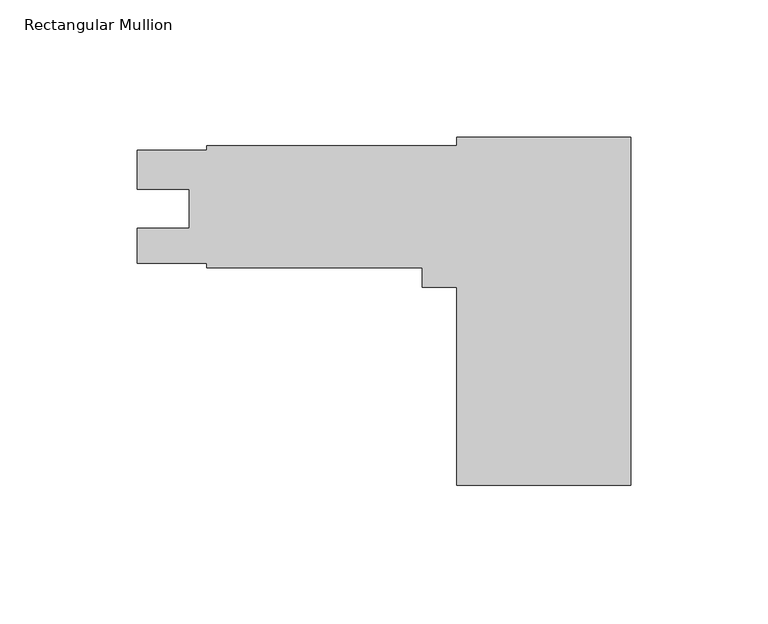
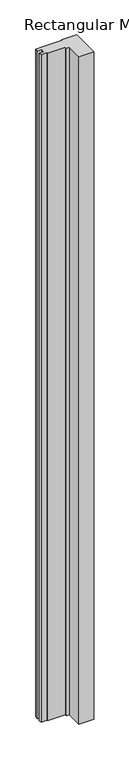
"""IFC4 building model written with IfcOpenShell, lengths in millimetres: member geometry, Rectangular Mullion."""

from ifc_helpers import new_model, si_unit, frame, origin, place, context, project, spatial, polyline, outline, extrude, source, transform, mapped, element, save


def rectangular_mullion_ddee52c0(model_context):
    return source(origin(), model_context, "Body", "SweptSolid", [
        extrude(outline(polyline([(0.0, -63.5), (-63.5, -63.5), (-63.5, 8.712327), (-76.2, 8.712327), (-76.2, 15.875), (-154.78125, 15.875), (-154.78125, 17.4752), (-180.18125, 17.4752), (-180.18125, 30.1879), (-161.1439509, 30.1879), (-161.1439509, 44.4754), (-180.18125, 44.4754), (-180.18125, 58.7374837), (-154.78125, 58.7374837), (-154.78125, 60.325), (-63.5, 60.325), (-63.5, 63.5), (0.0, 63.5), (0.0, -63.5)])), frame((0.0, 0.0, -3048.0), z_axis=(0.0, 0.0, 1.0), x_axis=(1.0, 0.0, 0.0)), (0.0, 0.0, 1.0), 3048.0),
    ])


if __name__ == "__main__":
    model = new_model("IFC4")
    model_context = context("Model", 3, world=origin())
    ifc_project = project(units=[si_unit("LENGTHUNIT", "METRE", prefix="MILLI")], contexts=[model_context])
    site = spatial("IfcSite", under=ifc_project)
    building = spatial("IfcBuilding", under=site)
    placement = place(None, origin())
    rectangular_mullion_shape = rectangular_mullion_ddee52c0(model_context)
    element("IfcMember", 1, ObjectType="Rectangular Mullion", at=placement, inside=building, context=model_context, shape_type="MappedRepresentation", body=[
        mapped(rectangular_mullion_shape, transform((0.0, 0.0, 0.0), x_axis=(1.0, 0.0, 0.0), y_axis=(0.0, 1.0, 0.0), z_axis=(0.0, 0.0, 1.0))),
    ])
    save(model, "model.ifc")
